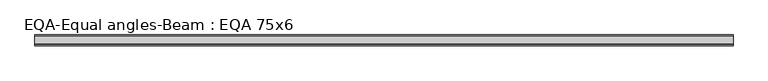
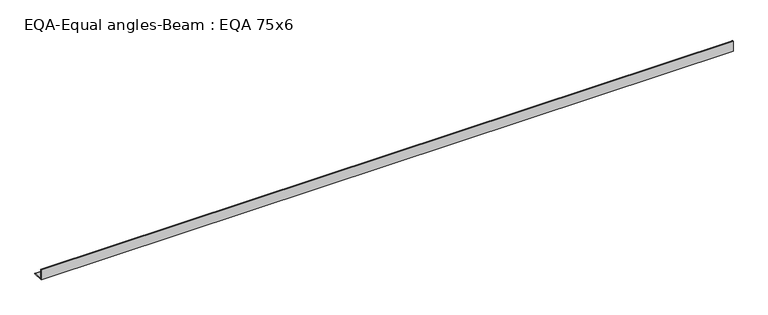
"""IFC4 building model written with IfcOpenShell, lengths in millimetres: beam geometry, EQA-Equal angles-Beam : EQA 75x6."""

from ifc_helpers import new_model, si_unit, point, frame, frame_2d, origin, place, context, project, spatial, polyline, circle_curve, trimmed, segment, composite_curve, outline, extrude, source, transform, mapped, element, save


def eqa_equal_angles_beam_eqa_75x6_49095698(model_context):
    return source(origin(), model_context, "Body", "SweptSolid", [
        extrude(outline(composite_curve([segment(polyline([(-20.5, -20.5), (-20.5, 54.5), (-19.0, 54.5)]), True, "CONTINUOUS"), segment(trimmed(circle_curve(frame_2d((-19.0, 50.0)), 4.5), [point((-19.0, 54.5))], [point((-14.5, 50.0))], False, "CARTESIAN"), True, "CONTINUOUS"), segment(polyline([(-14.5, 50.0), (-14.5, -5.5)]), True, "CONTINUOUS"), segment(trimmed(circle_curve(frame_2d((-5.5, -5.5)), 9.0), [point((-14.5, -5.5))], [point((-5.5, -14.5))], True, "CARTESIAN"), True, "CONTINUOUS"), segment(polyline([(-5.5, -14.5), (50.0, -14.5)]), True, "CONTINUOUS"), segment(trimmed(circle_curve(frame_2d((50.0, -19.0)), 4.5), [point((50.0, -14.5))], [point((54.5, -19.0))], False, "CARTESIAN"), True, "CONTINUOUS"), segment(polyline([(54.5, -19.0), (54.5, -20.5), (-20.5, -20.5)]), True, "CONTINUOUS")], self_intersect=False)), frame((-2431.4449322, 0.0, 0.0), z_axis=(1.0, 0.0, 0.0), x_axis=(0.0, 1.0, 0.0)), (0.0, 0.0, 1.0), 4834.8994595),
    ])


if __name__ == "__main__":
    model = new_model("IFC4")
    model_context = context("Model", 3, world=origin())
    ifc_project = project(units=[si_unit("LENGTHUNIT", "METRE", prefix="MILLI")], contexts=[model_context])
    site = spatial("IfcSite", under=ifc_project)
    building = spatial("IfcBuilding", under=site)
    placement = place(None, origin())
    eqa_equal_angles_beam_eqa_75x6_shape = eqa_equal_angles_beam_eqa_75x6_49095698(model_context)
    element("IfcBeam", 1, ObjectType="EQA-Equal angles-Beam : EQA 75x6", at=placement, inside=building, context=model_context, shape_type="MappedRepresentation", body=[
        mapped(eqa_equal_angles_beam_eqa_75x6_shape, transform((0.0, 0.0, 0.0), x_axis=(1.0, 0.0, 0.0), y_axis=(0.0, 1.0, 0.0), z_axis=(0.0, 0.0, 1.0))),
    ])
    save(model, "model.ifc")
